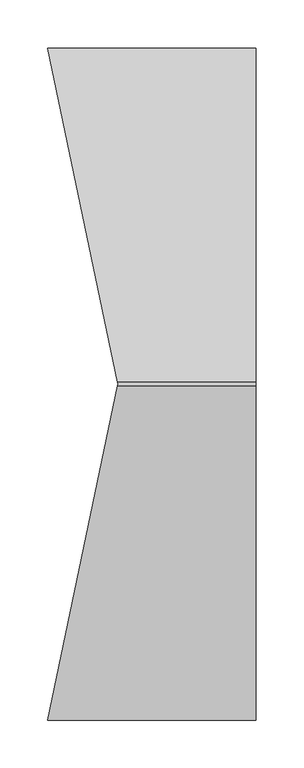
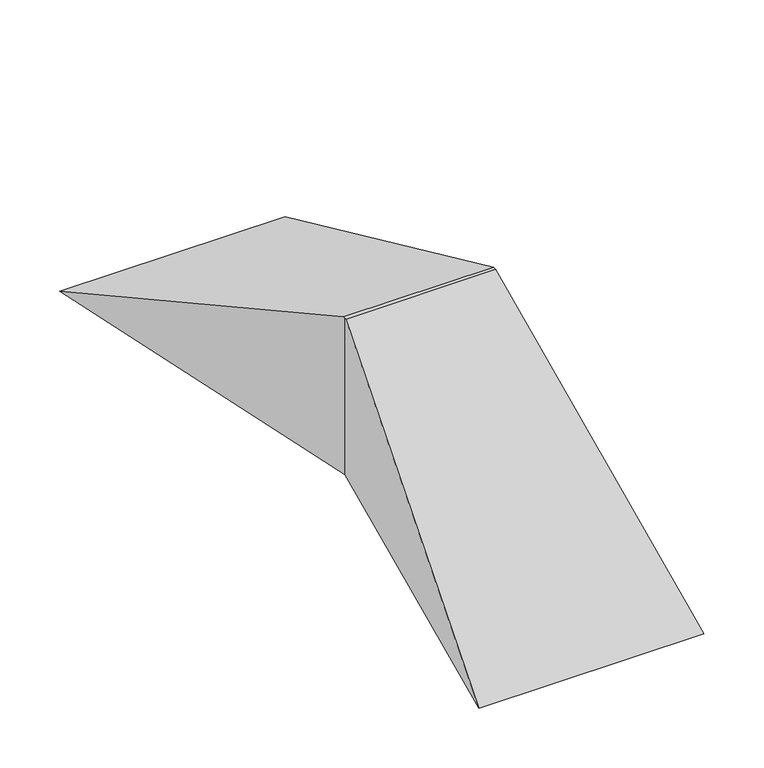
"""IFC4 building model written with IfcOpenShell, lengths in millimetres: proxy geometry."""

from ifc_helpers import new_model, si_unit, origin, place, context, project, spatial, faceted_brep, source, transform, mapped, element, save


def generic_models_36a34405(model_context):
    return source(origin(), model_context, "Body", "Brep", [
        faceted_brep([(73.0, 0.0, 160.0), (72.5828571, -2.0, 160.0), (217.0, -2.0, 160.0), (217.0, 2.0, 160.0), (72.5828571, 2.0, 160.0), (73.0, 0.0, 0.0), (0.0, 350.0, 0.0), (217.0, 350.0, 0.0), (217.0, -350.0, 0.0), (0.0, -350.0, 0.0)], [[[0, 1, 2, 3, 4]], [[5, 6, 7, 8, 9]], [[5, 9, 1, 0]], [[9, 8, 2, 1]], [[7, 6, 4, 3]], [[6, 5, 0, 4]], [[8, 7, 3, 2]]]),
    ])


if __name__ == "__main__":
    model = new_model("IFC4")
    model_context = context("Model", 3, world=origin())
    ifc_project = project(units=[si_unit("LENGTHUNIT", "METRE", prefix="MILLI")], contexts=[model_context])
    site = spatial("IfcSite", under=ifc_project)
    building = spatial("IfcBuilding", under=site)
    placement = place(None, origin())
    generic_models_shape = generic_models_36a34405(model_context)
    element("IfcBuildingElementProxy", 1, Name="Generic Models", at=placement, inside=building, context=model_context, shape_type="MappedRepresentation", body=[
        mapped(generic_models_shape, transform((0.0, 0.0, 0.0), x_axis=(1.0, 0.0, 0.0), y_axis=(0.0, 1.0, 0.0), z_axis=(0.0, 0.0, 1.0))),
    ])
    save(model, "model.ifc")
